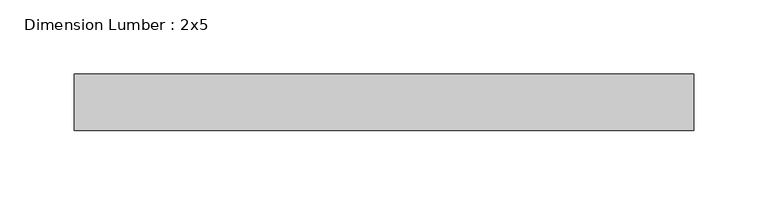
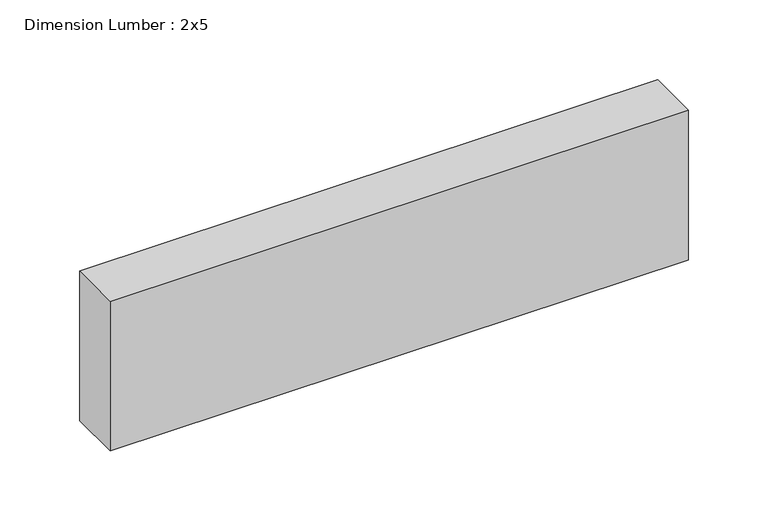
"""IFC4 building model written with IfcOpenShell, lengths in millimetres: beam geometry, Dimension Lumber : 2x5."""

from ifc_helpers import new_model, si_unit, frame, origin, place, context, project, spatial, polyline, outline, extrude, source, transform, mapped, element, save


def dimension_lumber_2x5_171be108(model_context):
    return source(origin(), model_context, "Body", "SweptSolid", [
        extrude(outline(polyline([(208.4364399, 19.05), (208.4364399, -19.05), (-208.4364399, -19.05), (-208.4364399, 19.05), (208.4364399, 19.05)])), frame((0.0, 0.0, -57.15), z_axis=(0.0, 0.0, 1.0), x_axis=(1.0, 0.0, 0.0)), (0.0, 0.0, 1.0), 114.3),
    ])


if __name__ == "__main__":
    model = new_model("IFC4")
    model_context = context("Model", 3, world=origin())
    ifc_project = project(units=[si_unit("LENGTHUNIT", "METRE", prefix="MILLI")], contexts=[model_context])
    site = spatial("IfcSite", under=ifc_project)
    building = spatial("IfcBuilding", under=site)
    placement = place(None, origin())
    dimension_lumber_2x5_shape = dimension_lumber_2x5_171be108(model_context)
    element("IfcBeam", 1, ObjectType="Dimension Lumber : 2x5", at=placement, inside=building, context=model_context, shape_type="MappedRepresentation", body=[
        mapped(dimension_lumber_2x5_shape, transform((0.0, 0.0, 0.0), x_axis=(1.0, 0.0, 0.0), y_axis=(0.0, 1.0, 0.0), z_axis=(0.0, 0.0, 1.0))),
    ])
    save(model, "model.ifc")
